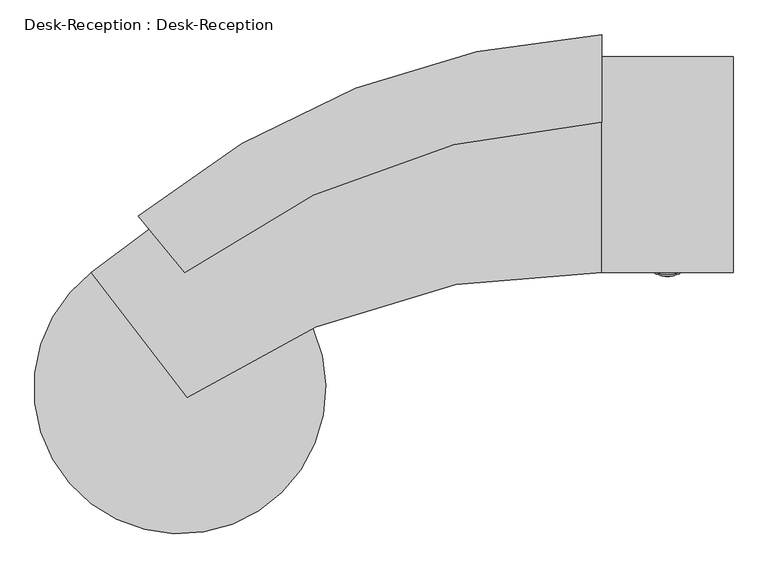
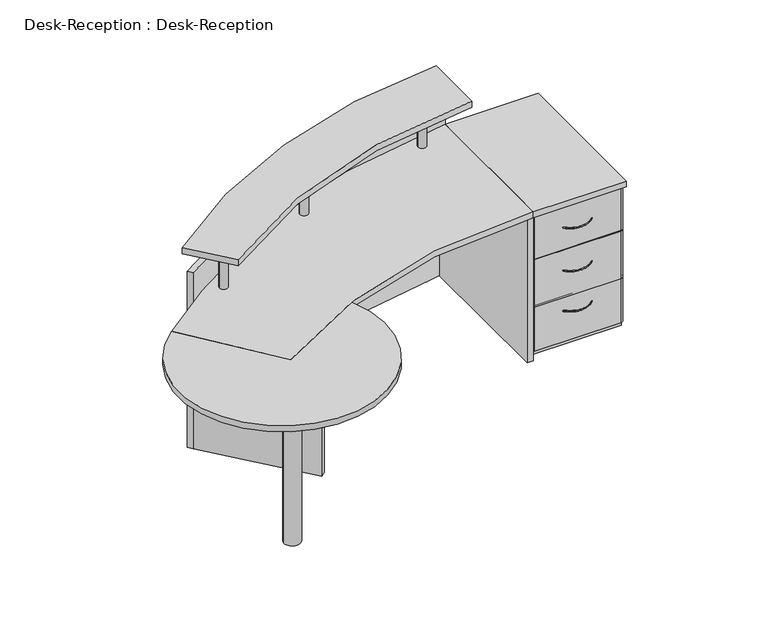
"""IFC4 building model written with IfcOpenShell, lengths in millimetres: furniture geometry, Desk-Reception : Desk-Reception."""

from ifc_helpers import new_model, si_unit, point, frame, frame_2d, origin, origin_with_axes, place, context, project, spatial, polyline, circle_curve, ellipse_curve, trimmed, segment, composite_curve, outline, extrude, source, transform, mapped, element, save
from ifc_brep_helpers import plane_surface, revolved_surface, advanced_brep


def desk_reception_desk_reception_8679d896(model_context):
    return source(origin(), model_context, "Body", "SolidModel", [
        extrude(outline(polyline([(450.0, 640.0), (450.0, 40.0), (425.0, 40.0), (425.0, 615.0), (25.0, 615.0), (25.0, 40.0), (0.0, 40.0), (0.0, 640.0), (450.0, 640.0)])), frame((0.0, 0.0, 30.0), z_axis=(0.0, 0.0, 1.0), x_axis=(1.0, 0.0, 0.0)), (0.0, 0.0, 1.0), 702.0),
        extrude(outline(composite_curve([segment(polyline([(0.0, 40.0), (450.0, 40.0), (450.0, 35.0)]), True, "CONTINUOUS"), segment(trimmed(circle_curve(frame_2d((435.0, 35.0)), 15.0), [point((450.0, 35.0))], [point((435.0, 20.0))], False, "CARTESIAN"), True, "CONTINUOUS"), segment(polyline([(435.0, 20.0), (15.0, 20.0)]), True, "CONTINUOUS"), segment(trimmed(circle_curve(frame_2d((15.0, 35.0)), 15.0), [point((15.0, 20.0))], [point((0.0, 35.0))], False, "CARTESIAN"), True, "CONTINUOUS"), segment(polyline([(0.0, 35.0), (0.0, 40.0)]), True, "CONTINUOUS")], self_intersect=False)), frame((0.0, 0.0, 503.0), z_axis=(0.0, 0.0, 1.0), x_axis=(1.0, 0.0, 0.0)), (0.0, 0.0, 1.0), 229.0),
        extrude(outline(composite_curve([segment(polyline([(0.0, 40.0), (450.0, 40.0), (450.0, 35.0)]), True, "CONTINUOUS"), segment(trimmed(circle_curve(frame_2d((435.0, 35.0)), 15.0), [point((450.0, 35.0))], [point((435.0, 20.0))], False, "CARTESIAN"), True, "CONTINUOUS"), segment(polyline([(435.0, 20.0), (15.0, 20.0)]), True, "CONTINUOUS"), segment(trimmed(circle_curve(frame_2d((15.0, 35.0)), 15.0), [point((15.0, 20.0))], [point((0.0, 35.0))], False, "CARTESIAN"), True, "CONTINUOUS"), segment(polyline([(0.0, 35.0), (0.0, 40.0)]), True, "CONTINUOUS")], self_intersect=False)), frame((0.0, 0.0, 255.0), z_axis=(0.0, 0.0, 1.0), x_axis=(1.0, 0.0, 0.0)), (0.0, 0.0, 1.0), 243.0),
        advanced_brep(
        [(153.5169481, 18.6581516, 615.0), (156.4830519, 21.3418484, 615.0), (296.4830519, 18.6581516, 615.0), (293.5169481, 21.3418484, 615.0)],
        [
            (0, 1, circle_curve(frame((155.0, 20.0, 615.0), z_axis=(-0.6709242002966121, 0.7415259384919393, 0.0), x_axis=(0.7415259384919393, 0.6709242002966121, 0.0)), 2.0)),
            (1, 0, circle_curve(frame((155.0, 20.0, 615.0), z_axis=(-0.6709242002966121, 0.7415259384919393, 0.0), x_axis=(0.7415259384919393, 0.6709242002966121, 0.0)), 2.0)),
            (2, 3, circle_curve(frame((295.0, 20.0, 615.0), z_axis=(0.6709242002973528, 0.7415259384912692, 0.0), x_axis=(-0.7415259384912692, 0.6709242002973528, 0.0)), 2.0)),
            (3, 2, circle_curve(frame((295.0, 20.0, 615.0), z_axis=(0.6709242002973528, 0.7415259384912692, 0.0), x_axis=(-0.7415259384912692, 0.6709242002973528, 0.0)), 2.0)),
            (3, 1, circle_curve(frame((225.0, 83.3352005, 615.0), z_axis=(0.0, 0.0, -1.0), x_axis=(-0.7415259384919353, -0.6709242002966166, 0.0)), 92.3999345)),
            (0, 2, circle_curve(frame((225.0, 83.3352005, 615.0), z_axis=(0.0, 0.0, 1.0), x_axis=(-0.7415259384919353, -0.6709242002966166, 0.0)), 96.3999345)),
        ],
        [
            plane_surface(frame((225.0, 83.3352005, 615.0), z_axis=(-0.6709242002966167, 0.7415259384919354, 0.0), x_axis=(-0.7415259384919354, -0.6709242002966167, 0.0))),
            plane_surface(frame((225.0, 83.3352005, 615.0), z_axis=(0.6709242002973484, 0.7415259384912734, 0.0), x_axis=(0.7415259384912734, -0.6709242002973484, 0.0))),
            revolved_surface(trimmed(ellipse_curve(frame((155.0, 20.0, 615.0), z_axis=(-0.6709242002966121, 0.7415259384919393, 0.0), x_axis=(0.7415259384919393, 0.6709242002966121, 0.0)), 2.0, 2.0), [point((153.5169481, 18.6581516, 615.0))], [point((156.4830519, 21.3418484, 615.0))], True, "CARTESIAN"), (225.0, 83.3352005, 615.0), (0.0, 0.0, 1.0)),
            revolved_surface(trimmed(ellipse_curve(frame((155.0, 20.0, 615.0), z_axis=(-0.6709242002966121, 0.7415259384919393, 0.0), x_axis=(0.7415259384919393, 0.6709242002966121, 0.0)), 2.0, 2.0), [point((156.4830519, 21.3418484, 615.0))], [point((153.5169481, 18.6581516, 615.0))], True, "CARTESIAN"), (225.0, 83.3352005, 615.0), (0.0, 0.0, 1.0)),
        ],
        [
            (0, [[1, 2]]),
            (1, [[3, 4]]),
            (2, [[5, -1, 6, -4]]),
            (3, [[-6, -2, -5, -3]]),
        ],
    ),
        advanced_brep(
        [(153.5169481, 18.6581516, 395.0), (156.4830519, 21.3418484, 395.0), (296.4830519, 18.6581516, 395.0), (293.5169481, 21.3418484, 395.0)],
        [
            (0, 1, circle_curve(frame((155.0, 20.0, 395.0), z_axis=(-0.6709242002966121, 0.7415259384919393, 0.0), x_axis=(0.7415259384919393, 0.6709242002966121, 0.0)), 2.0)),
            (1, 0, circle_curve(frame((155.0, 20.0, 395.0), z_axis=(-0.6709242002966121, 0.7415259384919393, 0.0), x_axis=(0.7415259384919393, 0.6709242002966121, 0.0)), 2.0)),
            (2, 3, circle_curve(frame((295.0, 20.0, 395.0), z_axis=(0.6709242002973528, 0.7415259384912692, 0.0), x_axis=(-0.7415259384912692, 0.6709242002973528, 0.0)), 2.0)),
            (3, 2, circle_curve(frame((295.0, 20.0, 395.0), z_axis=(0.6709242002973528, 0.7415259384912692, 0.0), x_axis=(-0.7415259384912692, 0.6709242002973528, 0.0)), 2.0)),
            (3, 1, circle_curve(frame((225.0, 83.3352005, 395.0), z_axis=(0.0, 0.0, -1.0), x_axis=(-0.7415259384919353, -0.6709242002966166, 0.0)), 92.3999345)),
            (0, 2, circle_curve(frame((225.0, 83.3352005, 395.0), z_axis=(0.0, 0.0, 1.0), x_axis=(-0.7415259384919353, -0.6709242002966166, 0.0)), 96.3999345)),
        ],
        [
            plane_surface(frame((225.0, 83.3352005, 395.0), z_axis=(-0.6709242002966167, 0.7415259384919354, 0.0), x_axis=(-0.7415259384919354, -0.6709242002966167, 0.0))),
            plane_surface(frame((225.0, 83.3352005, 395.0), z_axis=(0.6709242002973484, 0.7415259384912734, 0.0), x_axis=(0.7415259384912734, -0.6709242002973484, 0.0))),
            revolved_surface(trimmed(ellipse_curve(frame((155.0, 20.0, 395.0), z_axis=(-0.6709242002966121, 0.7415259384919393, 0.0), x_axis=(0.7415259384919393, 0.6709242002966121, 0.0)), 2.0, 2.0), [point((153.5169481, 18.6581516, 395.0))], [point((156.4830519, 21.3418484, 395.0))], True, "CARTESIAN"), (225.0, 83.3352005, 395.0), (0.0, 0.0, 1.0)),
            revolved_surface(trimmed(ellipse_curve(frame((155.0, 20.0, 395.0), z_axis=(-0.6709242002966121, 0.7415259384919393, 0.0), x_axis=(0.7415259384919393, 0.6709242002966121, 0.0)), 2.0, 2.0), [point((156.4830519, 21.3418484, 395.0))], [point((153.5169481, 18.6581516, 395.0))], True, "CARTESIAN"), (225.0, 83.3352005, 395.0), (0.0, 0.0, 1.0)),
        ],
        [
            (0, [[1, 2]]),
            (1, [[3, 4]]),
            (2, [[5, -1, 6, -4]]),
            (3, [[-6, -2, -5, -3]]),
        ],
    ),
        advanced_brep(
        [(153.5169481, 18.6581516, 189.0), (156.4830519, 21.3418484, 189.0), (296.4830519, 18.6581516, 189.0), (293.5169481, 21.3418484, 189.0)],
        [
            (0, 1, circle_curve(frame((155.0, 20.0, 189.0), z_axis=(-0.6709242002966121, 0.7415259384919393, 0.0), x_axis=(0.7415259384919393, 0.6709242002966121, 0.0)), 2.0)),
            (1, 0, circle_curve(frame((155.0, 20.0, 189.0), z_axis=(-0.6709242002966121, 0.7415259384919393, 0.0), x_axis=(0.7415259384919393, 0.6709242002966121, 0.0)), 2.0)),
            (2, 3, circle_curve(frame((295.0, 20.0, 189.0), z_axis=(0.6709242002973528, 0.7415259384912692, 0.0), x_axis=(-0.7415259384912692, 0.6709242002973528, 0.0)), 2.0)),
            (3, 2, circle_curve(frame((295.0, 20.0, 189.0), z_axis=(0.6709242002973528, 0.7415259384912692, 0.0), x_axis=(-0.7415259384912692, 0.6709242002973528, 0.0)), 2.0)),
            (3, 1, circle_curve(frame((225.0, 83.3352005, 189.0), z_axis=(0.0, 0.0, -1.0), x_axis=(-0.7415259384919353, -0.6709242002966166, 0.0)), 92.3999345)),
            (0, 2, circle_curve(frame((225.0, 83.3352005, 189.0), z_axis=(0.0, 0.0, 1.0), x_axis=(-0.7415259384919353, -0.6709242002966166, 0.0)), 96.3999345)),
        ],
        [
            plane_surface(frame((225.0, 83.3352005, 189.0), z_axis=(-0.6709242002966167, 0.7415259384919354, 0.0), x_axis=(-0.7415259384919354, -0.6709242002966167, 0.0))),
            plane_surface(frame((225.0, 83.3352005, 189.0), z_axis=(0.6709242002973484, 0.7415259384912734, 0.0), x_axis=(0.7415259384912734, -0.6709242002973484, 0.0))),
            revolved_surface(trimmed(ellipse_curve(frame((155.0, 20.0, 189.0), z_axis=(-0.6709242002966121, 0.7415259384919393, 0.0), x_axis=(0.7415259384919393, 0.6709242002966121, 0.0)), 2.0, 2.0), [point((153.5169481, 18.6581516, 189.0))], [point((156.4830519, 21.3418484, 189.0))], True, "CARTESIAN"), (225.0, 83.3352005, 189.0), (0.0, 0.0, 1.0)),
            revolved_surface(trimmed(ellipse_curve(frame((155.0, 20.0, 189.0), z_axis=(-0.6709242002966121, 0.7415259384919393, 0.0), x_axis=(0.7415259384919393, 0.6709242002966121, 0.0)), 2.0, 2.0), [point((156.4830519, 21.3418484, 189.0))], [point((153.5169481, 18.6581516, 189.0))], True, "CARTESIAN"), (225.0, 83.3352005, 189.0), (0.0, 0.0, 1.0)),
        ],
        [
            (0, [[1, 2]]),
            (1, [[3, 4]]),
            (2, [[5, -1, 6, -4]]),
            (3, [[-6, -2, -5, -3]]),
        ],
    ),
        extrude(outline(composite_curve([segment(polyline([(450.0, 40.0), (450.0, 35.0)]), True, "CONTINUOUS"), segment(trimmed(circle_curve(frame_2d((435.0, 35.0)), 15.0), [point((450.0, 35.0))], [point((435.0, 20.0))], False, "CARTESIAN"), True, "CONTINUOUS"), segment(polyline([(435.0, 20.0), (15.0, 20.0)]), True, "CONTINUOUS"), segment(trimmed(circle_curve(frame_2d((15.0, 35.0)), 15.0), [point((15.0, 20.0))], [point((0.0, 35.0))], False, "CARTESIAN"), True, "CONTINUOUS"), segment(polyline([(0.0, 35.0), (0.0, 40.0), (450.0, 40.0)]), True, "CONTINUOUS")], self_intersect=False)), frame((0.0, 0.0, 30.0), z_axis=(0.0, 0.0, 1.0), x_axis=(1.0, 0.0, 0.0)), (0.0, 0.0, 1.0), 234.0),
        extrude(outline(polyline([(0.0, 40.0), (0.0, 640.0), (450.0, 640.0), (450.0, 40.0), (0.0, 40.0)])), origin_with_axes(), (0.0, 0.0, 1.0), 30.0),
        extrude(outline(polyline([(450.0, 740.0), (450.0, 0.0), (0.0, 0.0), (0.0, 740.0), (450.0, 740.0)])), frame((0.0, 0.0, 732.0), z_axis=(0.0, 0.0, 1.0), x_axis=(1.0, 0.0, 0.0)), (0.0, 0.0, 1.0), 30.0),
        extrude(outline(composite_curve([segment(trimmed(circle_curve(frame_2d((-1533.8676519, -633.6842561)), 40.0), [point((-1573.8676519, -633.6842561))], [point((-1493.8676519, -633.6842561))], False, "CARTESIAN"), True, "CONTINUOUS"), segment(trimmed(circle_curve(frame_2d((-1533.8676519, -633.6842561)), 40.0), [point((-1493.8676519, -633.6842561))], [point((-1573.8676519, -633.6842561))], False, "CARTESIAN"), True, "CONTINUOUS")], self_intersect=False)), origin_with_axes(), (0.0, 0.0, 1.0), 732.0),
        extrude(outline(polyline([(-30.0, 0.0), (-30.0, 740.0), (0.0, 740.0), (0.0, 0.0), (-30.0, 0.0)])), origin_with_axes(), (0.0, 0.0, 1.0), 732.0),
        extrude(outline(polyline([(-1191.2115247, -287.2473325), (-1557.6726959, 155.8469799), (-1533.5016776, 173.693331), (-1168.0936082, -268.1276585), (-1191.2115247, -287.2473325)])), origin_with_axes(), (0.0, 0.0, 1.0), 732.0),
        extrude(outline(composite_curve([segment(polyline([(-1558.3600202, 155.3353685), (-1573.1206456, 176.6067149)]), True, "CONTINUOUS"), segment(trimmed(circle_curve(frame_2d((192.0822124, -2145.6826148)), 2917.0136888), [point((-1573.1206456, 176.6067149))], [point((0.0, 765.0))], False, "CARTESIAN"), True, "CONTINUOUS"), segment(polyline([(0.0, 765.0), (0.0, 740.0)]), True, "CONTINUOUS"), segment(trimmed(circle_curve(frame_2d((233.2734048, -2250.9168358)), 3000.0), [point((0.0, 740.0))], [point((-1558.3600202, 155.3353685))], True, "CARTESIAN"), True, "CONTINUOUS")], self_intersect=False)), origin_with_axes(), (0.0, 0.0, 1.0), 901.0),
        extrude(outline(composite_curve([segment(trimmed(circle_curve(frame_2d((-1399.0988912, 175.1627766)), 20.0), [point((-1419.0988912, 175.1627766))], [point((-1379.0988912, 175.1627766))], False, "CARTESIAN"), True, "CONTINUOUS"), segment(trimmed(circle_curve(frame_2d((-1399.0988912, 175.1627766)), 20.0), [point((-1379.0988912, 175.1627766))], [point((-1419.0988912, 175.1627766))], False, "CARTESIAN"), True, "CONTINUOUS")], self_intersect=False)), frame((0.0, 0.0, 762.0), z_axis=(0.0, 0.0, 1.0), x_axis=(1.0, 0.0, 0.0)), (0.0, 0.0, 1.0), 224.0),
        extrude(outline(composite_curve([segment(trimmed(circle_curve(frame_2d((-162.5566722, 651.831782)), 20.0), [point((-182.5566722, 651.831782))], [point((-142.5566722, 651.831782))], False, "CARTESIAN"), True, "CONTINUOUS"), segment(trimmed(circle_curve(frame_2d((-162.5566722, 651.831782)), 20.0), [point((-142.5566722, 651.831782))], [point((-182.5566722, 651.831782))], False, "CARTESIAN"), True, "CONTINUOUS")], self_intersect=False)), frame((0.0, 0.0, 762.0), z_axis=(0.0, 0.0, 1.0), x_axis=(1.0, 0.0, 0.0)), (0.0, 0.0, 1.0), 224.0),
        extrude(outline(composite_curve([segment(trimmed(circle_curve(frame_2d((-837.953128, 472.7004825)), 20.0), [point((-857.953128, 472.7004825))], [point((-817.953128, 472.7004825))], False, "CARTESIAN"), True, "CONTINUOUS"), segment(trimmed(circle_curve(frame_2d((-837.953128, 472.7004825)), 20.0), [point((-817.953128, 472.7004825))], [point((-857.953128, 472.7004825))], False, "CARTESIAN"), True, "CONTINUOUS")], self_intersect=False)), frame((0.0, 0.0, 762.0), z_axis=(0.0, 0.0, 1.0), x_axis=(1.0, 0.0, 0.0)), (0.0, 0.0, 1.0), 224.0),
        extrude(outline(composite_curve([segment(trimmed(circle_curve(frame_2d((150.3989695, -1909.4109511)), 2728.5591217), [point((-1588.5730571, 193.2091219))], [point((0.0, 815.0))], False, "CARTESIAN"), True, "CONTINUOUS"), segment(polyline([(0.0, 815.0), (0.0, 515.0)]), True, "CONTINUOUS"), segment(trimmed(circle_curve(frame_2d((128.0395328, -2082.0016736)), 2600.1561135), [point((0.0, 515.0))], [point((-1429.0734043, 0.3554322))], True, "CARTESIAN"), True, "CONTINUOUS"), segment(polyline([(-1429.0734043, 0.3554322), (-1588.5730571, 193.2091219)]), True, "CONTINUOUS")], self_intersect=False)), frame((0.0, 0.0, 986.0), z_axis=(0.0, 0.0, 1.0), x_axis=(1.0, 0.0, 0.0)), (0.0, 0.0, 1.0), 30.0),
        extrude(outline(composite_curve([segment(trimmed(circle_curve(frame_2d((233.2734048, -2250.9168358)), 3000.0), [point((-1750.0, 0.0))], [point((0.0, 740.0))], False, "CARTESIAN"), True, "CONTINUOUS"), segment(polyline([(0.0, 740.0), (0.0, 0.0)]), True, "CONTINUOUS"), segment(trimmed(circle_curve(frame_2d((-50.5006514, -2404.1685588)), 2404.6988949), [point((0.0, 0.0))], [point((-1421.4325265, -428.5363641))], True, "CARTESIAN"), True, "CONTINUOUS"), segment(polyline([(-1421.4325265, -428.5363641), (-1750.0, 0.0)]), True, "CONTINUOUS")], self_intersect=False)), frame((0.0, 0.0, 732.0), z_axis=(0.0, 0.0, 1.0), x_axis=(1.0, 0.0, 0.0)), (0.0, 0.0, 1.0), 30.0),
        extrude(outline(composite_curve([segment(trimmed(circle_curve(frame_2d((-1445.7708579, -396.7929297)), 500.0), [point((-990.2260619, -190.6887356))], [point((-1750.0, 0.0))], False, "CARTESIAN"), True, "CONTINUOUS"), segment(polyline([(-1750.0, 0.0), (-1421.4325265, -428.5363641)]), True, "CONTINUOUS"), segment(trimmed(circle_curve(frame_2d((-50.5006514, -2404.1685588)), 2404.6988949), [point((-1421.4325265, -428.5363641))], [point((-990.2260619, -190.6887356))], False, "CARTESIAN"), True, "CONTINUOUS")], self_intersect=False)), frame((0.0, 0.0, 732.0), z_axis=(0.0, 0.0, 1.0), x_axis=(1.0, 0.0, 0.0)), (0.0, 0.0, 1.0), 30.0),
    ])


if __name__ == "__main__":
    model = new_model("IFC4")
    model_context = context("Model", 3, world=origin())
    ifc_project = project(units=[si_unit("LENGTHUNIT", "METRE", prefix="MILLI")], contexts=[model_context])
    site = spatial("IfcSite", under=ifc_project)
    building = spatial("IfcBuilding", under=site)
    placement = place(None, origin())
    desk_reception_desk_reception_shape = desk_reception_desk_reception_8679d896(model_context)
    element("IfcFurniture", 1, ObjectType="Desk-Reception : Desk-Reception", at=placement, inside=building, context=model_context, shape_type="MappedRepresentation", body=[
        mapped(desk_reception_desk_reception_shape, transform((0.0, 0.0, 0.0), x_axis=(1.0, 0.0, 0.0), y_axis=(0.0, 1.0, 0.0), z_axis=(0.0, 0.0, 1.0))),
    ])
    save(model, "model.ifc")
